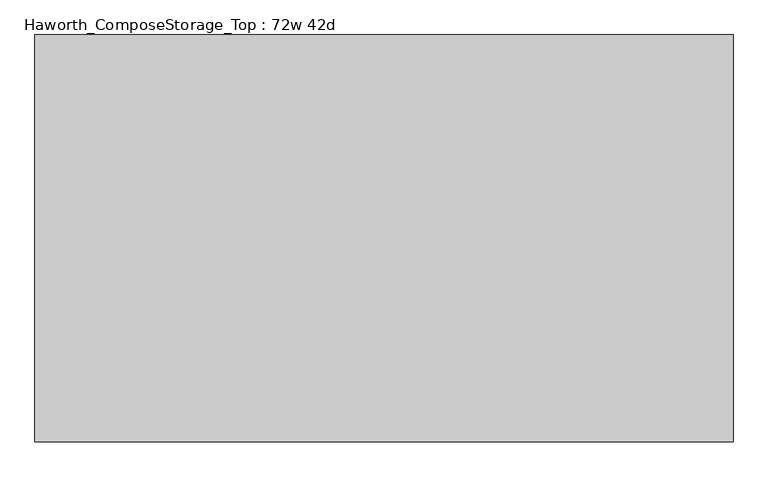
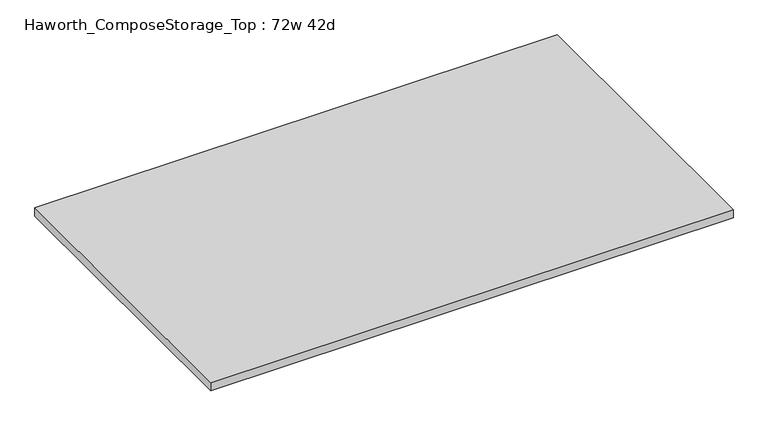
"""IFC4 building model written with IfcOpenShell, lengths in millimetres: furniture geometry, Haworth_ComposeStorage_Top : 72w 42d."""

from ifc_helpers import new_model, si_unit, frame, origin, place, context, project, spatial, polyline, outline, extrude, source, transform, mapped, element, save


def haworth_composestorage_top_72w_42d_b8fb5155(model_context):
    return source(origin(), model_context, "Body", "SweptSolid", [
        extrude(outline(polyline([(914.4, 533.4), (914.4, -533.4), (-914.4, -533.4), (-914.4, 533.4), (914.4, 533.4)])), frame((0.0, 0.0, 706.4375), z_axis=(0.0, 0.0, 1.0), x_axis=(1.0, 0.0, 0.0)), (0.0, 0.0, 1.0), 30.1625),
    ])


if __name__ == "__main__":
    model = new_model("IFC4")
    model_context = context("Model", 3, world=origin())
    ifc_project = project(units=[si_unit("LENGTHUNIT", "METRE", prefix="MILLI")], contexts=[model_context])
    site = spatial("IfcSite", under=ifc_project)
    building = spatial("IfcBuilding", under=site)
    placement = place(None, origin())
    haworth_composestorage_top_72w_42d_shape = haworth_composestorage_top_72w_42d_b8fb5155(model_context)
    element("IfcFurniture", 1, ObjectType="Haworth_ComposeStorage_Top : 72w 42d", at=placement, inside=building, context=model_context, shape_type="MappedRepresentation", body=[
        mapped(haworth_composestorage_top_72w_42d_shape, transform((0.0, 0.0, 0.0), x_axis=(1.0, 0.0, 0.0), y_axis=(0.0, 1.0, 0.0), z_axis=(0.0, 0.0, 1.0))),
    ])
    save(model, "model.ifc")
